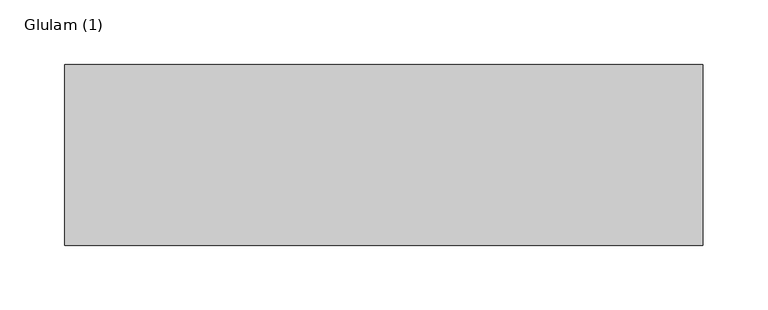
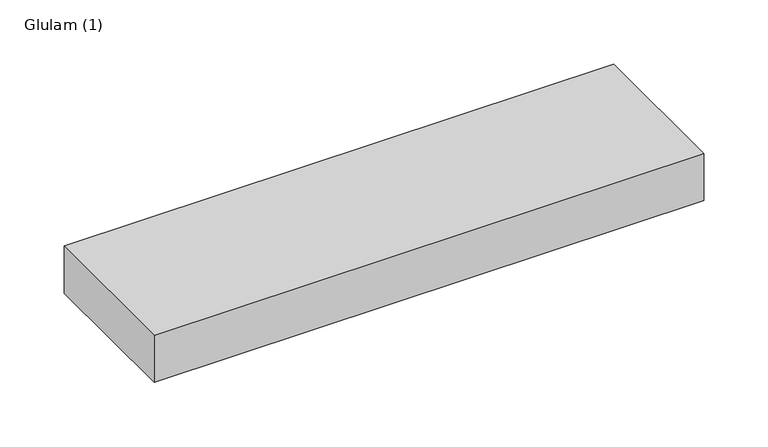
"""IFC4 building model written with IfcOpenShell, lengths in millimetres: beam geometry, Glulam (1)."""

from ifc_helpers import new_model, si_unit, frame, origin, place, context, project, spatial, polyline, outline, extrude, source, transform, mapped, element, save


def glulam_1_b785b106(model_context):
    return source(origin(), model_context, "Body", "SweptSolid", [
        extrude(outline(polyline([(256.0, 70.0), (256.0, -70.0), (-238.0, -70.0), (-238.0, 70.0), (256.0, 70.0)])), frame((0.0, 0.0, -22.5), z_axis=(0.0, 0.0, 1.0), x_axis=(1.0, 0.0, 0.0)), (0.0, 0.0, 1.0), 45.0),
    ])


if __name__ == "__main__":
    model = new_model("IFC4")
    model_context = context("Model", 3, world=origin())
    ifc_project = project(units=[si_unit("LENGTHUNIT", "METRE", prefix="MILLI")], contexts=[model_context])
    site = spatial("IfcSite", under=ifc_project)
    building = spatial("IfcBuilding", under=site)
    placement = place(None, origin())
    glulam_1_shape = glulam_1_b785b106(model_context)
    element("IfcBeam", 1, ObjectType="Glulam (1)", at=placement, inside=building, context=model_context, shape_type="MappedRepresentation", body=[
        mapped(glulam_1_shape, transform((0.0, 0.0, 0.0), x_axis=(1.0, 0.0, 0.0), y_axis=(0.0, 1.0, 0.0), z_axis=(0.0, 0.0, 1.0))),
    ])
    save(model, "model.ifc")
